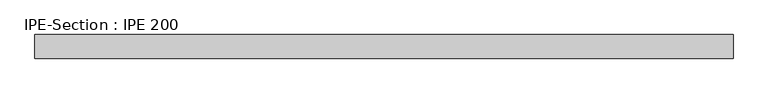
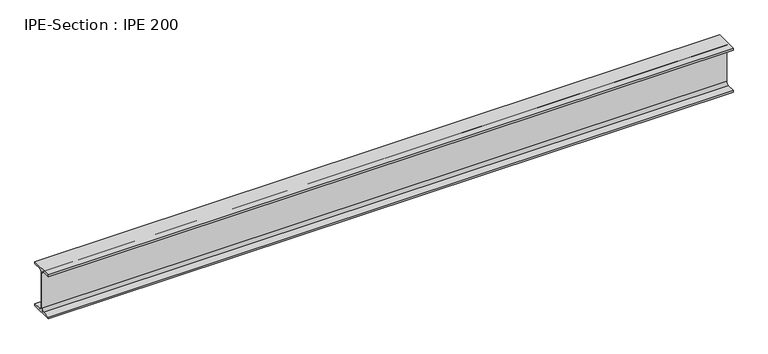
"""IFC4 building model written with IfcOpenShell, lengths in millimetres: beam geometry, IPE-Section : IPE 200."""

from ifc_helpers import new_model, si_unit, point, frame, frame_2d, origin, place, context, project, spatial, polyline, circle_curve, trimmed, segment, composite_curve, outline, extrude, source, transform, mapped, element, save


def ipe_section_ipe_200_f917a5aa(model_context):
    return source(origin(), model_context, "Body", "SweptSolid", [
        extrude(outline(composite_curve([segment(polyline([(-50.0, -91.5), (-14.8, -91.5)]), True, "CONTINUOUS"), segment(trimmed(circle_curve(frame_2d((-14.8, -79.5)), 12.0), [point((-14.8, -91.5))], [point((-2.8, -79.5))], True, "CARTESIAN"), True, "CONTINUOUS"), segment(polyline([(-2.8, -79.5), (-2.8, 79.5)]), True, "CONTINUOUS"), segment(trimmed(circle_curve(frame_2d((-14.8, 79.5)), 12.0), [point((-2.8, 79.5))], [point((-14.8, 91.5))], True, "CARTESIAN"), True, "CONTINUOUS"), segment(polyline([(-14.8, 91.5), (-50.0, 91.5), (-50.0, 100.0), (50.0, 100.0), (50.0, 91.5), (14.8, 91.5)]), True, "CONTINUOUS"), segment(trimmed(circle_curve(frame_2d((14.8, 79.5)), 12.0), [point((14.8, 91.5))], [point((2.8, 79.5))], True, "CARTESIAN"), True, "CONTINUOUS"), segment(polyline([(2.8, 79.5), (2.8, -79.5)]), True, "CONTINUOUS"), segment(trimmed(circle_curve(frame_2d((14.8, -79.5)), 12.0), [point((2.8, -79.5))], [point((14.8, -91.5))], True, "CARTESIAN"), True, "CONTINUOUS"), segment(polyline([(14.8, -91.5), (50.0, -91.5), (50.0, -100.0), (-50.0, -100.0), (-50.0, -91.5)]), True, "CONTINUOUS")], self_intersect=False)), frame((-1476.05, 0.0, 0.0), z_axis=(1.0, 0.0, 0.0), x_axis=(0.0, 1.0, 0.0)), (0.0, 0.0, 1.0), 2952.1),
    ])


if __name__ == "__main__":
    model = new_model("IFC4")
    model_context = context("Model", 3, world=origin())
    ifc_project = project(units=[si_unit("LENGTHUNIT", "METRE", prefix="MILLI")], contexts=[model_context])
    site = spatial("IfcSite", under=ifc_project)
    building = spatial("IfcBuilding", under=site)
    placement = place(None, origin())
    ipe_section_ipe_200_shape = ipe_section_ipe_200_f917a5aa(model_context)
    element("IfcBeam", 1, ObjectType="IPE-Section : IPE 200", at=placement, inside=building, context=model_context, shape_type="MappedRepresentation", body=[
        mapped(ipe_section_ipe_200_shape, transform((0.0, 0.0, 0.0), x_axis=(1.0, 0.0, 0.0), y_axis=(0.0, 1.0, 0.0), z_axis=(0.0, 0.0, 1.0))),
    ])
    save(model, "model.ifc")
